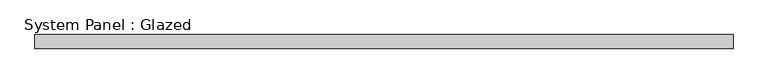
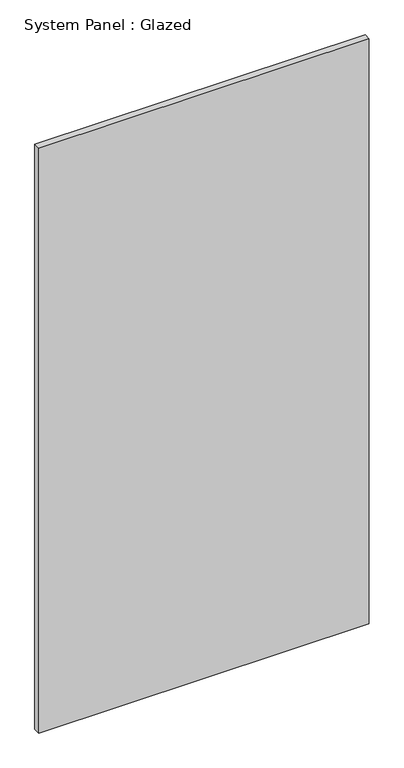
"""IFC4 building model written with IfcOpenShell, lengths in millimetres: plate geometry, System Panel : Glazed."""

from ifc_helpers import new_model, si_unit, origin, origin_with_axes, place, context, project, spatial, polyline, outline, extrude, source, transform, mapped, element, save


def system_panel_glazed_34b1593e(model_context):
    return source(origin(), model_context, "Body", "SweptSolid", [
        extrude(outline(polyline([(635.0, 19.05), (-635.0, 19.05), (-635.0, 44.45), (635.0, 44.45), (635.0, 19.05)])), origin_with_axes(), (0.0, 0.0, 1.0), 2374.9),
    ])


if __name__ == "__main__":
    model = new_model("IFC4")
    model_context = context("Model", 3, world=origin())
    ifc_project = project(units=[si_unit("LENGTHUNIT", "METRE", prefix="MILLI")], contexts=[model_context])
    site = spatial("IfcSite", under=ifc_project)
    building = spatial("IfcBuilding", under=site)
    placement = place(None, origin())
    system_panel_glazed_shape = system_panel_glazed_34b1593e(model_context)
    element("IfcPlate", 1, ObjectType="System Panel : Glazed", at=placement, inside=building, context=model_context, shape_type="MappedRepresentation", body=[
        mapped(system_panel_glazed_shape, transform((0.0, 0.0, 0.0), x_axis=(1.0, 0.0, 0.0), y_axis=(0.0, 1.0, 0.0), z_axis=(0.0, 0.0, 1.0))),
    ])
    save(model, "model.ifc")
